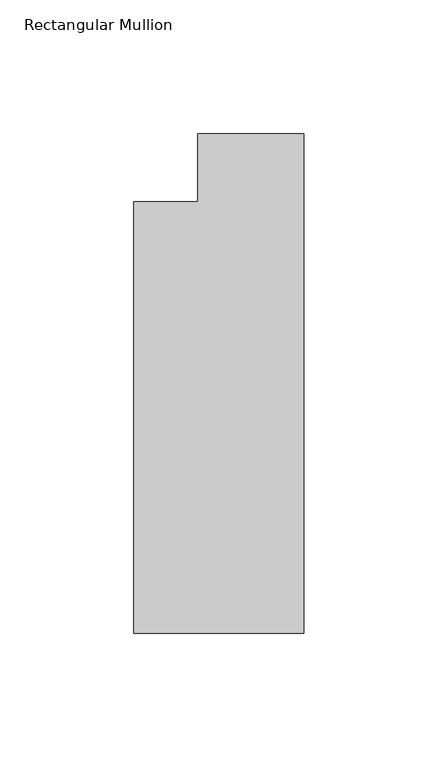
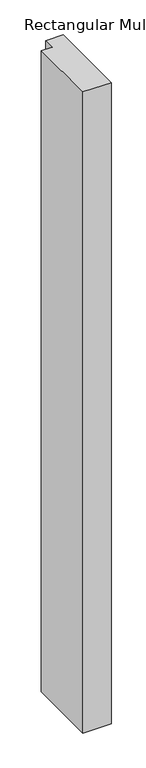
"""IFC4 building model written with IfcOpenShell, lengths in millimetres: member geometry, Rectangular Mullion."""

from ifc_helpers import new_model, si_unit, frame, origin, place, context, project, spatial, polyline, outline, extrude, source, transform, mapped, element, save


def rectangular_mullion_52b411d2(model_context):
    return source(origin(), model_context, "Body", "SweptSolid", [
        extrude(outline(polyline([(-63.5, -173.83125), (-63.5, -12.7), (-39.6875, -12.7), (-39.6875, 12.7), (0.0, 12.7), (0.0, -173.83125), (-63.5, -173.83125)])), frame((0.0, 0.0, -1524.0), z_axis=(0.0, 0.0, 1.0), x_axis=(1.0, 0.0, 0.0)), (0.0, 0.0, 1.0), 1524.0),
    ])


if __name__ == "__main__":
    model = new_model("IFC4")
    model_context = context("Model", 3, world=origin())
    ifc_project = project(units=[si_unit("LENGTHUNIT", "METRE", prefix="MILLI")], contexts=[model_context])
    site = spatial("IfcSite", under=ifc_project)
    building = spatial("IfcBuilding", under=site)
    placement = place(None, origin())
    rectangular_mullion_shape = rectangular_mullion_52b411d2(model_context)
    element("IfcMember", 1, ObjectType="Rectangular Mullion", at=placement, inside=building, context=model_context, shape_type="MappedRepresentation", body=[
        mapped(rectangular_mullion_shape, transform((0.0, 0.0, 0.0), x_axis=(1.0, 0.0, 0.0), y_axis=(0.0, 1.0, 0.0), z_axis=(0.0, 0.0, 1.0))),
    ])
    save(model, "model.ifc")
